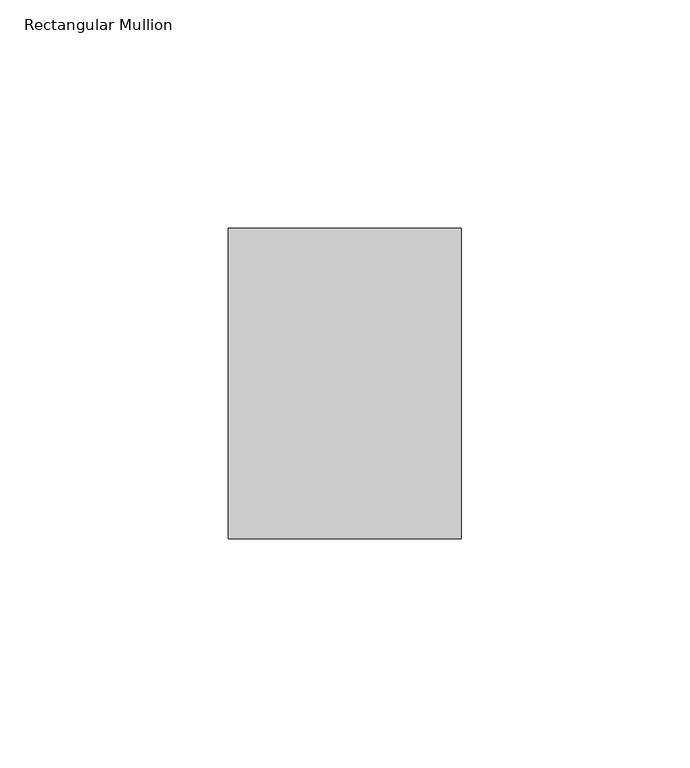
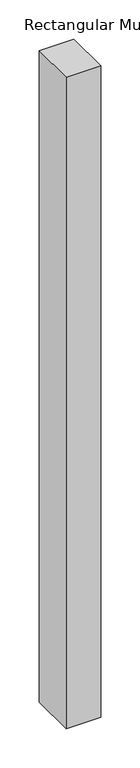
"""IFC4 building model written with IfcOpenShell, lengths in millimetres: member geometry, Rectangular Mullion."""

from ifc_helpers import new_model, si_unit, frame, origin, place, context, project, spatial, polyline, outline, extrude, source, transform, mapped, element, save


def rectangular_mullion_117d29ce(model_context):
    return source(origin(), model_context, "Body", "SweptSolid", [
        extrude(outline(polyline([(0.0, 68.0), (0.0, 0.0), (-51.0, 0.0), (-51.0, 68.0), (0.0, 68.0)])), frame((0.0, 0.0, -1012.0), z_axis=(0.0, 0.0, 1.0), x_axis=(1.0, 0.0, 0.0)), (0.0, 0.0, 1.0), 1012.0),
    ])


if __name__ == "__main__":
    model = new_model("IFC4")
    model_context = context("Model", 3, world=origin())
    ifc_project = project(units=[si_unit("LENGTHUNIT", "METRE", prefix="MILLI")], contexts=[model_context])
    site = spatial("IfcSite", under=ifc_project)
    building = spatial("IfcBuilding", under=site)
    placement = place(None, origin())
    rectangular_mullion_shape = rectangular_mullion_117d29ce(model_context)
    element("IfcMember", 1, ObjectType="Rectangular Mullion", at=placement, inside=building, context=model_context, shape_type="MappedRepresentation", body=[
        mapped(rectangular_mullion_shape, transform((0.0, 0.0, 0.0), x_axis=(1.0, 0.0, 0.0), y_axis=(0.0, 1.0, 0.0), z_axis=(0.0, 0.0, 1.0))),
    ])
    save(model, "model.ifc")
